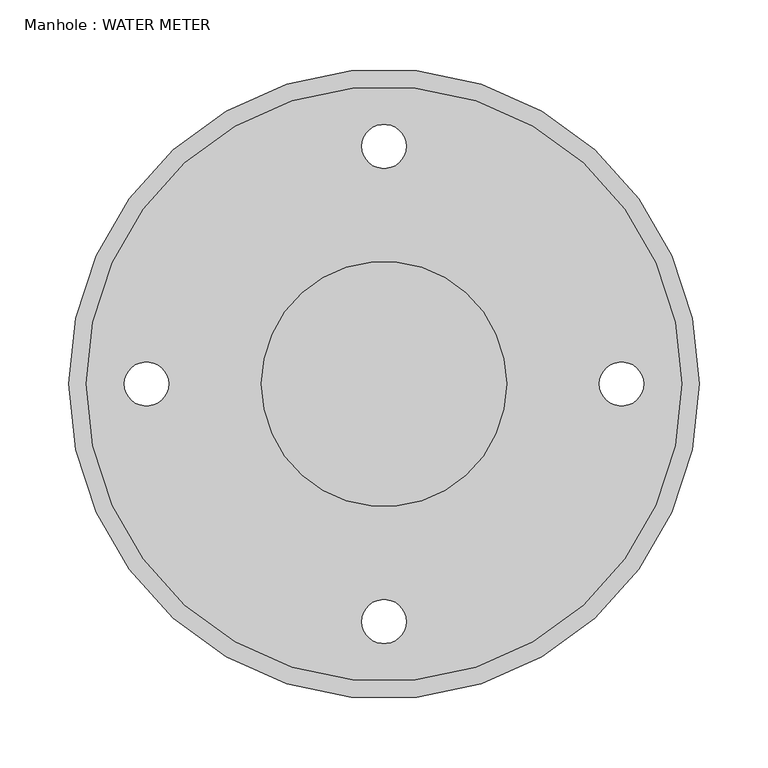
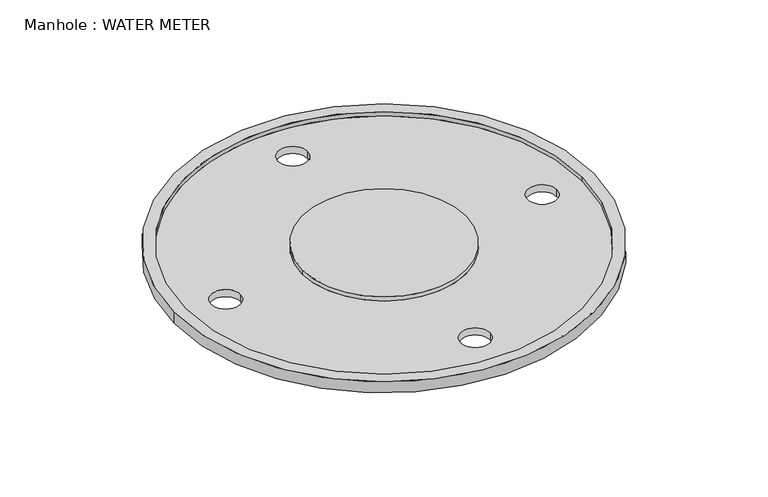
"""IFC4 building model written with IfcOpenShell, lengths in millimetres: geographic element geometry, Manhole : WATER METER."""

import ifcopenshell
import ifcopenshell.guid

model = None  # the IFC model being written
_history = None  # IfcOwnerHistory: only IFC2X3 demands one
_inside = {}  # id of a spatial element -> (the spatial element, [elements in it])
_under = {}  # id of a project, library or spatial element -> (it, [spatial elements below it])
_declared = {}  # id of a project -> (the project, [libraries it declares])
_typed = {}  # id of a type object -> (the type object, [elements of that type])
_made_of = {}  # id of a material, layer set ... -> (it, [elements and type objects made of it])


def new_model(schema):
    """Start an empty IFC model of exactly this schema.

    Asked for "IFC4X3", IfcOpenShell would pick the latest addendum, in which some entities
    have other attributes; the version numbers below select the first issue.
    IFC2X3 requires an IfcOwnerHistory on every rooted entity: one is made here for all.
    """
    global model, _history
    if schema == "IFC4X3":
        model = ifcopenshell.file(schema_version=(4, 3, 0, 0))
    else:
        model = ifcopenshell.file(schema=schema)
    _inside.clear()
    _under.clear()
    _declared.clear()
    _typed.clear()
    _made_of.clear()
    _history = None
    if model.schema == "IFC2X3":
        org = make("IfcOrganization", Name="unknown")
        user = make(
            "IfcPersonAndOrganization",
            ThePerson=make("IfcPerson", FamilyName="unknown"),
            TheOrganization=org,
        )
        app = make(
            "IfcApplication",
            ApplicationDeveloper=org,
            Version="unknown",
            ApplicationFullName="unknown",
            ApplicationIdentifier="unknown",
        )
        _history = make(
            "IfcOwnerHistory",
            OwningUser=user,
            OwningApplication=app,
            ChangeAction="ADDED",
            CreationDate=0,
        )
    return model


def make(cls, **values):
    """One entity of the class cls with the attributes given. An attribute that is None is left unset."""
    return model.create_entity(
        cls, **{name: value for name, value in values.items() if value is not None}
    )


def rooted(cls, **values):
    """An entity with a GlobalId (a new one), such as an element, a storey or a relation."""
    return make(cls, GlobalId=ifcopenshell.guid.new(), OwnerHistory=_history, **values)


def si_unit(unit_type, name, prefix=None):
    """IfcSIUnit, for example si_unit("LENGTHUNIT", "METRE", prefix="MILLI")."""
    return make("IfcSIUnit", UnitType=unit_type, Prefix=prefix, Name=name)


def assignment(units):
    """IfcUnitAssignment: the units of a project."""
    return None if units is None else make("IfcUnitAssignment", Units=units)


def point(xyz):
    """IfcCartesianPoint."""
    return None if xyz is None else make("IfcCartesianPoint", Coordinates=xyz)


def direction(xyz):
    """IfcDirection."""
    return None if xyz is None else make("IfcDirection", DirectionRatios=xyz)


def frame(location, z_axis=None, x_axis=None):
    """IfcAxis2Placement3D, a coordinate frame: its origin and axes. An axis left out is left unset."""
    return make(
        "IfcAxis2Placement3D",
        Location=point(location),
        Axis=direction(z_axis),
        RefDirection=direction(x_axis),
    )


def origin():
    """The frame at (0, 0, 0) with its axes left unset."""
    return frame((0.0, 0.0, 0.0))


def origin_with_axes():
    """The frame at (0, 0, 0) with the z axis (0, 0, 1) and the x axis (1, 0, 0) written out."""
    return frame((0.0, 0.0, 0.0), z_axis=(0.0, 0.0, 1.0), x_axis=(1.0, 0.0, 0.0))


def place(relative_to, where):
    """IfcLocalPlacement: puts the frame where relative to a parent placement (None: the world)."""
    return make(
        "IfcLocalPlacement", PlacementRelTo=relative_to, RelativePlacement=where
    )


def context(
    kind, dimensions, precision=None, world=None, true_north=None, identifier=None
):
    """IfcGeometricRepresentationContext, for example the 3D "Model" context."""
    return make(
        "IfcGeometricRepresentationContext",
        ContextIdentifier=identifier,
        ContextType=kind,
        CoordinateSpaceDimension=dimensions,
        Precision=precision,
        WorldCoordinateSystem=world,
        TrueNorth=true_north,
    )


def project(units=None, contexts=None):
    """IfcProject with its units and contexts."""
    return rooted(
        "IfcProject",
        Name="project",
        RepresentationContexts=contexts,
        UnitsInContext=assignment(units),
    )


def spatial(cls, under=None, at=None, **own):
    """A site, building, storey or space (cls), placed at a placement, below another one or the project."""
    s = rooted(cls, ObjectPlacement=at, **own)
    if under is not None:
        _under.setdefault(under.id(), (under, []))[1].append(s)
    return s


def polyline(points):
    """IfcPolyline through the points."""
    return make("IfcPolyline", Points=[point(p) for p in points])


def circle_curve(where, radius):
    """IfcCircle in the frame where."""
    return make("IfcCircle", Position=where, Radius=radius)


def shape(context_of_items, identifier, shape_type, items):
    """IfcShapeRepresentation: the items that make up one representation, for example the "Body"."""
    return make(
        "IfcShapeRepresentation",
        ContextOfItems=context_of_items,
        RepresentationIdentifier=identifier,
        RepresentationType=shape_type,
        Items=items,
    )


def source(mapping_origin, context_of_items, identifier, shape_type, items):
    """IfcRepresentationMap: a shape defined once, which mapped items show again and again."""
    return make(
        "IfcRepresentationMap",
        MappingOrigin=mapping_origin,
        MappedRepresentation=shape(context_of_items, identifier, shape_type, items),
    )


def transform(
    local_origin,
    x_axis=None,
    y_axis=None,
    z_axis=None,
    scale=None,
    scale2=None,
    scale3=None,
    uniform=True,
):
    """IfcCartesianTransformationOperator3D, or its non-uniform kind. x_axis, y_axis, z_axis: its Axis1, 2, 3."""
    if uniform:
        return make(
            "IfcCartesianTransformationOperator3D",
            Axis1=direction(x_axis),
            Axis2=direction(y_axis),
            LocalOrigin=point(local_origin),
            Scale=scale,
            Axis3=direction(z_axis),
        )
    return make(
        "IfcCartesianTransformationOperator3DnonUniform",
        Axis1=direction(x_axis),
        Axis2=direction(y_axis),
        LocalOrigin=point(local_origin),
        Scale=scale,
        Axis3=direction(z_axis),
        Scale2=scale2,
        Scale3=scale3,
    )


def mapped(mapping_source, mapping_target):
    """IfcMappedItem: shows the shape of a source again, moved by a transform."""
    return make(
        "IfcMappedItem", MappingSource=mapping_source, MappingTarget=mapping_target
    )


def made_of(thing, what):
    """Note that an element or type object is made of a material, layer set ...; save() writes the relation."""
    if what is not None:
        _made_of.setdefault(what.id(), (what, []))[1].append(thing)
    return thing


def element(
    cls,
    number,
    at=None,
    inside=None,
    cuts=None,
    type_object=None,
    material=None,
    context=None,
    identifier="Body",
    shape_type=None,
    held_by="IfcProductDefinitionShape",
    body=None,
    shapes=None,
    **own,
):
    """One element of the class cls, such as IfcWall. Its Tag is "e" and its number.

    at: its placement. inside: the storey or other place that contains it. cuts: it is an
    opening in that element (IfcRelVoidsElement). A single representation is given by context,
    identifier, shape_type and body (its items); several are given by shapes. held_by: the class
    of the entity that holds the representations. save() writes the other relations.
    """
    e = rooted(cls, Tag="e%d" % number, ObjectPlacement=at, **own)
    if body is not None:
        shapes = [shape(context, identifier, shape_type, body)]
    if shapes is not None:
        e.Representation = make(held_by, Representations=shapes)
    if inside is not None:
        _inside.setdefault(inside.id(), (inside, []))[1].append(e)
    if cuts is not None:
        rooted(
            "IfcRelVoidsElement", RelatingBuildingElement=cuts, RelatedOpeningElement=e
        )
    if type_object is not None:
        _typed.setdefault(type_object.id(), (type_object, []))[1].append(e)
    return made_of(e, material)


def aggregate(whole, parts):
    """IfcRelAggregates: a whole, such as a stair, and the parts it consists of."""
    return rooted("IfcRelAggregates", RelatingObject=whole, RelatedObjects=parts)


def save(model, path):
    """Write the relations noted so far, then the file.

    IfcRelAggregates (storeys below a building ...), IfcRelContainedInSpatialStructure (elements
    in a storey), IfcRelDefinesByType, IfcRelAssociatesMaterial and IfcRelDeclares: one each for
    every whole, place, type object, material and project.
    """
    for whole, parts in _under.values():
        aggregate(whole, parts)
    for where, things in _inside.values():
        rooted(
            "IfcRelContainedInSpatialStructure",
            RelatedElements=things,
            RelatingStructure=where,
        )
    for kind, things in _typed.values():
        rooted("IfcRelDefinesByType", RelatedObjects=things, RelatingType=kind)
    for what, things in _made_of.values():
        rooted("IfcRelAssociatesMaterial", RelatedObjects=things, RelatingMaterial=what)
    for by, libraries in _declared.values():
        rooted("IfcRelDeclares", RelatingContext=by, RelatedDefinitions=libraries)
    model.write(path)


def plane_surface(at):
    """IfcPlane: the flat surface through the origin of the frame at, square to its z axis."""
    return make("IfcPlane", Position=at)


def cylinder_surface(at, radius):
    """IfcCylindricalSurface: all points at the distance radius from the z axis of the frame at."""
    return make("IfcCylindricalSurface", Position=at, Radius=radius)


def revolved_surface(curve, axis_point, axis_direction):
    """IfcSurfaceOfRevolution: the curve turned about the line through axis_point along axis_direction."""
    return make(
        "IfcSurfaceOfRevolution",
        SweptCurve=make("IfcArbitraryOpenProfileDef", ProfileType="CURVE", Curve=curve),
        AxisPosition=make("IfcAxis1Placement", Location=point(axis_point), Axis=direction(axis_direction)),
    )


def advanced_brep(points, edges, surfaces, faces):
    """IfcAdvancedBrep: a solid bounded by faces that lie on surfaces and meet in shared edges.

    An edge is (start, end): straight between two places in points (the first is 0);
    or (start, end, curve); or (start, end, curve, False) where it runs against its curve.
    A face is (place in surfaces, loops), or (place, loops, False) where it looks against
    its surface's normal. A loop lists edges by number (the first is 1), with a minus sign
    where the edge is run from its end to its start. The first loop is the outer one.
    """
    corners = [point(p) for p in points]
    vertices = [make("IfcVertexPoint", VertexGeometry=c) for c in corners]
    made = []
    for start, end, *more in edges:
        made.append(
            make(
                "IfcEdgeCurve",
                EdgeStart=vertices[start],
                EdgeEnd=vertices[end],
                EdgeGeometry=more[0] if more else make("IfcPolyline", Points=[corners[start], corners[end]]),
                SameSense=more[1] if len(more) > 1 else True,
            )
        )
    hull = []
    for where, loops, *sense in faces:
        bounds = []
        for j, loop in enumerate(loops):
            ring = [make("IfcOrientedEdge", EdgeElement=made[abs(k) - 1], Orientation=k > 0) for k in loop]
            bounds.append(
                make(
                    "IfcFaceOuterBound" if j == 0 else "IfcFaceBound",
                    Bound=make("IfcEdgeLoop", EdgeList=ring),
                    Orientation=True,
                )
            )
        hull.append(make("IfcAdvancedFace", Bounds=bounds, FaceSurface=surfaces[where], SameSense=sense[0] if sense else True))
    return make("IfcAdvancedBrep", Outer=make("IfcClosedShell", CfsFaces=hull))


def manhole_water_meter_d94dba13(model_context):
    return source(origin(), model_context, "Body", "AdvancedBrep", [
        advanced_brep(
        [(-228.6, 0.0, 12.7), (228.6, 0.0, 12.7), (215.9, 0.0, 12.7), (-215.9, 0.0, 12.7), (88.9, 0.0, 12.7), (-88.9, 0.0, 12.7), (-228.6, 0.0, 0.0), (228.6, 0.0, 0.0), (-16.0106194, -172.3466813, 0.0), (16.0106194, -172.3466813, 0.0), (-16.0106194, 172.3466813, 0.0), (16.0106194, 172.3466813, 0.0), (-188.3573007, 0.0, 0.0), (-156.3360619, 0.0, 0.0), (188.3573007, 0.0, 0.0), (156.3360619, 0.0, 0.0), (16.0106194, -172.3466813, 7.9375), (-16.0106194, -172.3466813, 7.9375), (16.0106194, 172.3466813, 7.9375), (-16.0106194, 172.3466813, 7.9375), (-156.3360619, 0.0, 7.9375), (-188.3573007, 0.0, 7.9375), (156.3360619, 0.0, 7.9375), (188.3573007, 0.0, 7.9375), (-215.9, 0.0, 7.9375), (215.9, 0.0, 7.9375), (-88.9, 0.0, 7.9375), (88.9, 0.0, 7.9375)],
        [
            (0, 1, circle_curve(frame((0.0, 0.0, 12.7), z_axis=(0.0, 0.0, 1.0), x_axis=(1.0, 0.0, 0.0)), 228.6)),
            (1, 0, circle_curve(frame((0.0, 0.0, 12.7), z_axis=(0.0, 0.0, 1.0), x_axis=(1.0, 0.0, 0.0)), 228.6)),
            (2, 3, circle_curve(frame((0.0, 0.0, 12.7), z_axis=(0.0, 0.0, -1.0), x_axis=(1.0, 0.0, 0.0)), 215.9)),
            (3, 2, circle_curve(frame((0.0, 0.0, 12.7), z_axis=(0.0, 0.0, -1.0), x_axis=(1.0, 0.0, 0.0)), 215.9)),
            (4, 5, circle_curve(frame((0.0, 0.0, 12.7), z_axis=(0.0, 0.0, 1.0), x_axis=(1.0, 0.0, 0.0)), 88.9)),
            (5, 4, circle_curve(frame((0.0, 0.0, 12.7), z_axis=(0.0, 0.0, 1.0), x_axis=(1.0, 0.0, 0.0)), 88.9)),
            (6, 7, circle_curve(frame((0.0, 0.0, 0.0), z_axis=(0.0, 0.0, -1.0), x_axis=(1.0, 0.0, 0.0)), 228.6)),
            (7, 6, circle_curve(frame((0.0, 0.0, 0.0), z_axis=(0.0, 0.0, -1.0), x_axis=(1.0, 0.0, 0.0)), 228.6)),
            (8, 9, circle_curve(frame((0.0, -172.3466813, 0.0), z_axis=(0.0, 0.0, 1.0), x_axis=(1.0, 0.0, 0.0)), 16.0106194)),
            (9, 8, circle_curve(frame((0.0, -172.3466813, 0.0), z_axis=(0.0, 0.0, 1.0), x_axis=(1.0, 0.0, 0.0)), 16.0106194)),
            (10, 11, circle_curve(frame((0.0, 172.3466813, 0.0), z_axis=(0.0, 0.0, 1.0), x_axis=(1.0, 0.0, 0.0)), 16.0106194)),
            (11, 10, circle_curve(frame((0.0, 172.3466813, 0.0), z_axis=(0.0, 0.0, 1.0), x_axis=(1.0, 0.0, 0.0)), 16.0106194)),
            (12, 13, circle_curve(frame((-172.3466813, 0.0, 0.0), z_axis=(0.0, 0.0, 1.0), x_axis=(1.0, 0.0, 0.0)), 16.0106194)),
            (13, 12, circle_curve(frame((-172.3466813, 0.0, 0.0), z_axis=(0.0, 0.0, 1.0), x_axis=(1.0, 0.0, 0.0)), 16.0106194)),
            (14, 15, circle_curve(frame((172.3466813, 0.0, 0.0), z_axis=(0.0, 0.0, 1.0), x_axis=(1.0, 0.0, 0.0)), 16.0106194)),
            (15, 14, circle_curve(frame((172.3466813, 0.0, 0.0), z_axis=(0.0, 0.0, 1.0), x_axis=(1.0, 0.0, 0.0)), 16.0106194)),
            (0, 6),
            (7, 1),
            (9, 16),
            (16, 17, circle_curve(frame((0.0, -172.3466813, 7.9375), z_axis=(0.0, 0.0, 1.0), x_axis=(1.0, 0.0, 0.0)), 16.0106194)),
            (17, 8),
            (17, 16, circle_curve(frame((0.0, -172.3466813, 7.9375), z_axis=(0.0, 0.0, 1.0), x_axis=(1.0, 0.0, 0.0)), 16.0106194)),
            (11, 18),
            (18, 19, circle_curve(frame((0.0, 172.3466813, 7.9375), z_axis=(0.0, 0.0, 1.0), x_axis=(1.0, 0.0, 0.0)), 16.0106194)),
            (19, 10),
            (19, 18, circle_curve(frame((0.0, 172.3466813, 7.9375), z_axis=(0.0, 0.0, 1.0), x_axis=(1.0, 0.0, 0.0)), 16.0106194)),
            (13, 20),
            (20, 21, circle_curve(frame((-172.3466813, 0.0, 7.9375), z_axis=(0.0, 0.0, 1.0), x_axis=(1.0, 0.0, 0.0)), 16.0106194)),
            (21, 12),
            (21, 20, circle_curve(frame((-172.3466813, 0.0, 7.9375), z_axis=(0.0, 0.0, 1.0), x_axis=(1.0, 0.0, 0.0)), 16.0106194)),
            (15, 22),
            (22, 23, circle_curve(frame((172.3466813, 0.0, 7.9375), z_axis=(0.0, 0.0, 1.0), x_axis=(1.0, 0.0, 0.0)), 16.0106194)),
            (23, 14),
            (23, 22, circle_curve(frame((172.3466813, 0.0, 7.9375), z_axis=(0.0, 0.0, 1.0), x_axis=(1.0, 0.0, 0.0)), 16.0106194)),
            (24, 25, circle_curve(frame((0.0, 0.0, 7.9375), z_axis=(0.0, 0.0, 1.0), x_axis=(1.0, 0.0, 0.0)), 215.9)),
            (25, 24, circle_curve(frame((0.0, 0.0, 7.9375), z_axis=(0.0, 0.0, 1.0), x_axis=(1.0, 0.0, 0.0)), 215.9)),
            (26, 27, circle_curve(frame((0.0, 0.0, 7.9375), z_axis=(0.0, 0.0, -1.0), x_axis=(1.0, 0.0, 0.0)), 88.9)),
            (27, 26, circle_curve(frame((0.0, 0.0, 7.9375), z_axis=(0.0, 0.0, -1.0), x_axis=(1.0, 0.0, 0.0)), 88.9)),
            (26, 5),
            (4, 27),
            (24, 3),
            (2, 25),
        ],
        [
            plane_surface(frame((228.6, 0.0, 12.7), z_axis=(0.0, 0.0, 1.0), x_axis=(0.0, 1.0, 0.0))),
            plane_surface(frame((228.6, 0.0, 0.0), z_axis=(0.0, 0.0, -1.0), x_axis=(0.0, -1.0, 0.0))),
            cylinder_surface(origin_with_axes(), 228.6),
            revolved_surface(polyline([(16.0106194, -172.3466813, 0.0), (16.0106194, -172.3466813, 7.9375)]), (0.0, -172.3466813, 0.0), (0.0, 0.0, -1.0)),
            revolved_surface(polyline([(16.0106194, 172.3466813, 0.0), (16.0106194, 172.3466813, 7.9375)]), (0.0, 172.3466813, 0.0), (0.0, 0.0, -1.0)),
            revolved_surface(polyline([(-156.3360619, 0.0, 0.0), (-156.3360619, 0.0, 7.9375)]), (-172.3466813, 0.0, 0.0), (0.0, 0.0, -1.0)),
            revolved_surface(polyline([(188.3573007, 0.0, 0.0), (188.3573007, 0.0, 7.9375)]), (172.3466813, 0.0, 0.0), (0.0, 0.0, -1.0)),
            plane_surface(frame((88.9, 0.0, 7.9375), z_axis=(0.0, 0.0, 1.0), x_axis=(0.0, 1.0, 0.0))),
            cylinder_surface(frame((0.0, 0.0, 7.9375), z_axis=(0.0, 0.0, -1.0), x_axis=(1.0, 0.0, 0.0)), 88.9),
            revolved_surface(polyline([(215.9, 0.0, 12.7), (215.9, 0.0, 7.9375)]), (0.0, 0.0, 0.0), (0.0, 0.0, 1.0)),
        ],
        [
            (0, [[1, 2], [3, 4]]),
            (0, [[5, 6]]),
            (1, [[7, 8], [9, 10], [11, 12], [13, 14], [15, 16]]),
            (2, [[-1, 17, -8, 18]]),
            (2, [[-2, -18, -7, -17]]),
            (3, [[-10, 19, 20, 21]]),
            (3, [[-9, -21, 22, -19]]),
            (4, [[-12, 23, 24, 25]]),
            (4, [[-11, -25, 26, -23]]),
            (5, [[-14, 27, 28, 29]]),
            (5, [[-13, -29, 30, -27]]),
            (6, [[-16, 31, 32, 33]]),
            (6, [[-15, -33, 34, -31]]),
            (7, [[35, 36], [37, 38], [-20, -22], [-24, -26], [-28, -30], [-32, -34]]),
            (8, [[-37, 39, -5, 40]]),
            (8, [[-38, -40, -6, -39]]),
            (9, [[-35, 41, -3, 42]]),
            (9, [[-36, -42, -4, -41]]),
        ],
    ),
    ])


if __name__ == "__main__":
    model = new_model("IFC4")
    model_context = context("Model", 3, world=origin())
    ifc_project = project(units=[si_unit("LENGTHUNIT", "METRE", prefix="MILLI")], contexts=[model_context])
    site = spatial("IfcSite", under=ifc_project)
    building = spatial("IfcBuilding", under=site)
    placement = place(None, origin())
    manhole_water_meter_shape = manhole_water_meter_d94dba13(model_context)
    element("IfcGeographicElement", 1, ObjectType="Manhole : WATER METER", at=placement, inside=building, context=model_context, shape_type="MappedRepresentation", body=[
        mapped(manhole_water_meter_shape, transform((0.0, 0.0, 0.0), x_axis=(1.0, 0.0, 0.0), y_axis=(0.0, 1.0, 0.0), z_axis=(0.0, 0.0, 1.0))),
    ])
    save(model, "model.ifc")
